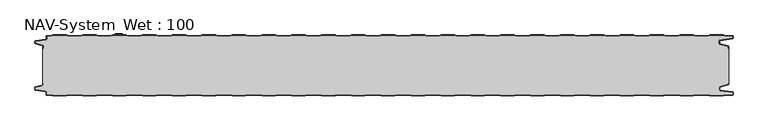
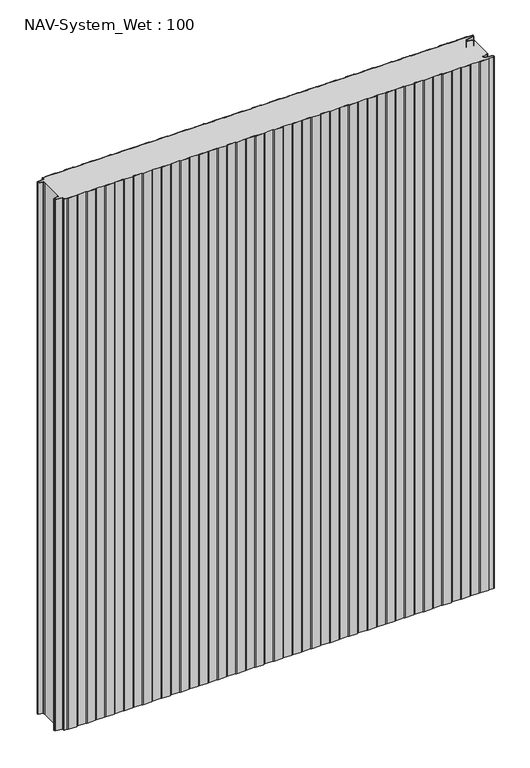
"""IFC4 building model written with IfcOpenShell, lengths in millimetres: plate geometry, NAV-System_Wet : 100."""

from ifc_helpers import new_model, si_unit, point, frame_2d, origin, origin_with_axes, place, context, project, spatial, polyline, circle_curve, trimmed, segment, composite_curve, outline, extrude, source, transform, mapped, element, save


def nav_system_wet_100_a483718d(model_context):
    return source(origin(), model_context, "Body", "SweptSolid", [
        extrude(outline(composite_curve([segment(polyline([(430.3684327, -0.8), (427.3684327, 0.2), (405.3684327, 0.2), (402.3684327, -0.8), (380.3684327, -0.8), (377.3684327, 0.2), (355.3684327, 0.2), (352.3684327, -0.8), (330.3684327, -0.8), (327.3684327, 0.2), (305.3684327, 0.2), (302.3684327, -0.8), (280.3684327, -0.8), (277.3684327, 0.2), (255.3684327, 0.2), (252.3684327, -0.8), (230.3684327, -0.8), (227.3684327, 0.2), (205.3684327, 0.2), (202.3684327, -0.8), (180.3684327, -0.8), (177.3684327, 0.2), (155.3684327, 0.2), (152.3684327, -0.8), (130.3684327, -0.8), (127.3684327, 0.2), (105.3684327, 0.2), (102.3684327, -0.8), (80.3684327, -0.8), (77.3684327, 0.2), (55.3684327, 0.2), (52.3684327, -0.8), (30.3684327, -0.8), (27.3684327, 0.2), (5.3684327, 0.2), (2.3684327, -0.8), (-19.6315673, -0.8), (-22.6315673, 0.2), (-44.6315673, 0.2), (-47.6315673, -0.8), (-69.6315673, -0.8), (-72.6315673, 0.2), (-94.6315673, 0.2), (-97.6315673, -0.8), (-119.6315673, -0.8), (-122.6315673, 0.2), (-144.6315673, 0.2), (-147.6315673, -0.8), (-169.6315673, -0.8), (-172.6315673, 0.2), (-194.6315673, 0.2), (-197.6315673, -0.8), (-219.6315673, -0.8), (-222.6315673, 0.2), (-244.6315673, 0.2), (-247.6315673, -0.8), (-269.6315673, -0.8), (-272.6315673, 0.2), (-294.6315673, 0.2), (-297.6315673, -0.8), (-319.6315673, -0.8), (-322.6315673, 0.2), (-344.6315673, 0.2), (-347.6315673, -0.8), (-369.6315673, -0.8), (-372.6315673, 0.2), (-394.6315673, 0.2), (-397.6315673, -0.8), (-419.6315673, -0.8), (-422.6315673, 0.2), (-444.6315673, 0.2), (-447.6315673, -0.8), (-469.6315673, -0.8), (-472.6315673, 0.2), (-494.6315673, 0.2), (-497.6315673, -0.8), (-519.6315673, -0.8), (-522.6315673, 0.2), (-544.6315673, 0.2), (-547.6315673, -0.8), (-554.7, -0.8)]), True, "CONTINUOUS"), segment(trimmed(circle_curve(frame_2d((-554.7, -1.3)), 0.5), [point((-554.7, -0.8))], [point((-555.2, -1.3))], True, "CARTESIAN"), True, "CONTINUOUS"), segment(polyline([(-555.2, -1.3), (-555.2, -5.3964683)]), True, "CONTINUOUS"), segment(trimmed(circle_curve(frame_2d((-556.7, -5.3964683)), 1.5), [point((-555.2, -5.3964683))], [point((-556.4911207, -6.8818536))], False, "CARTESIAN"), True, "CONTINUOUS"), segment(polyline([(-556.4911207, -6.8818536), (-573.4352183, -9.2645825)]), True, "CONTINUOUS"), segment(trimmed(circle_curve(frame_2d((-573.3114909, -10.1444347)), 0.8885091), [point((-573.4352183, -9.2645825))], [point((-574.2, -10.1444347))], True, "CARTESIAN"), True, "CONTINUOUS"), segment(polyline([(-574.2, -10.1444347), (-574.2, -12.46995)]), True, "CONTINUOUS"), segment(trimmed(circle_curve(frame_2d((-573.6, -12.46995)), 0.6), [point((-574.2, -12.46995))], [point((-573.7552914, -13.0495055))], True, "CARTESIAN"), True, "CONTINUOUS"), segment(polyline([(-573.7552914, -13.0495055), (-562.3785632, -16.0978907)]), True, "CONTINUOUS"), segment(trimmed(circle_curve(frame_2d((-562.7667917, -17.5467794)), 1.5), [point((-562.3785632, -16.0978907))], [point((-561.2667917, -17.5467794))], False, "CARTESIAN"), True, "CONTINUOUS"), segment(polyline([(-561.2667917, -17.5467794), (-561.2667917, -21.0096505), (-562.0667917, -21.0096505), (-562.0667917, -17.5467794)]), True, "CONTINUOUS"), segment(trimmed(circle_curve(frame_2d((-562.7667917, -17.5467794)), 0.7), [point((-562.0667917, -17.5467794))], [point((-562.5856184, -16.8706313))], True, "CARTESIAN"), True, "CONTINUOUS"), segment(polyline([(-562.5856184, -16.8706313), (-574.0364648, -13.8023863)]), True, "CONTINUOUS"), segment(trimmed(circle_curve(frame_2d((-573.7, -12.5466827)), 1.3), [point((-574.0364648, -13.8023863))], [point((-575.0, -12.5466827))], False, "CARTESIAN"), True, "CONTINUOUS"), segment(polyline([(-575.0, -12.5466827), (-575.0, -9.8067363)]), True, "CONTINUOUS"), segment(trimmed(circle_curve(frame_2d((-573.7, -9.8067363)), 1.3), [point((-575.0, -9.8067363))], [point((-573.8810287, -8.5194024))], False, "CARTESIAN"), True, "CONTINUOUS"), segment(polyline([(-573.8810287, -8.5194024), (-556.602523, -6.0896481)]), True, "CONTINUOUS"), segment(trimmed(circle_curve(frame_2d((-556.7, -5.3964683)), 0.7), [point((-556.602523, -6.0896481))], [point((-556.0, -5.3964683))], True, "CARTESIAN"), True, "CONTINUOUS"), segment(polyline([(-556.0, -5.3964683), (-556.0, -1.3)]), True, "CONTINUOUS"), segment(trimmed(circle_curve(frame_2d((-554.7, -1.3)), 1.3), [point((-556.0, -1.3))], [point((-554.7, 0.0))], False, "CARTESIAN"), True, "CONTINUOUS"), segment(polyline([(-554.7, 0.0), (-547.7613895, 0.0), (-544.7613895, 1.0), (-522.5017452, 1.0), (-519.5017452, 0.0), (-497.7613895, 0.0), (-494.7613895, 1.0), (-472.5017452, 1.0), (-469.5017452, 0.0), (-447.7613895, 0.0), (-444.7613895, 1.0), (-422.5017452, 1.0), (-419.5017452, 0.0), (-397.7613895, 0.0), (-394.7613895, 1.0), (-372.5017452, 1.0), (-369.5017452, 0.0), (-347.7613895, 0.0), (-344.7613895, 1.0), (-322.5017452, 1.0), (-319.5017452, 0.0), (-297.7613895, 0.0), (-294.7613895, 1.0), (-272.5017452, 1.0), (-269.5017452, 0.0), (-247.7613895, 0.0), (-244.7613895, 1.0), (-222.5017452, 1.0), (-219.5017452, 0.0), (-197.7613895, 0.0), (-194.7613895, 1.0), (-172.5017452, 1.0), (-169.5017452, 0.0), (-147.7613895, 0.0), (-144.7613895, 1.0), (-122.5017452, 1.0), (-119.5017452, 0.0), (-97.7613895, 0.0), (-94.7613895, 1.0), (-72.5017452, 1.0), (-69.5017452, 0.0), (-47.7613895, 0.0), (-44.7613895, 1.0), (-22.5017452, 1.0), (-19.5017452, 0.0), (2.2386105, 0.0), (5.2386105, 1.0), (27.4982548, 1.0), (30.4982548, 0.0), (52.2386105, 0.0), (55.2386105, 1.0), (77.4982548, 1.0), (80.4982548, 0.0), (102.2386105, 0.0), (105.2386105, 1.0), (127.4982548, 1.0), (130.4982548, 0.0), (152.2386105, 0.0), (155.2386105, 1.0), (177.4982548, 1.0), (180.4982548, 0.0), (202.2386105, 0.0), (205.2386105, 1.0), (227.4982548, 1.0), (230.4982548, 0.0), (252.2386105, 0.0), (255.2386105, 1.0), (277.4982548, 1.0), (280.4982548, 0.0), (302.2386105, 0.0), (305.2386105, 1.0), (327.4982548, 1.0), (330.4982548, 0.0), (352.2386105, 0.0), (355.2386105, 1.0), (377.4982548, 1.0), (380.4982548, 0.0), (402.2386105, 0.0), (405.2386105, 1.0), (427.4982548, 1.0), (430.4982548, 0.0), (452.2386105, 0.0), (455.2386105, 1.0), (477.4982548, 1.0), (480.4982548, 0.0), (502.2386105, 0.0), (505.2386105, 1.0), (527.4982548, 1.0), (530.4982548, 0.0), (552.2386105, 0.0), (555.2386105, 1.0), (577.4982548, 1.0), (580.4982548, 0.0), (592.7, 0.0)]), True, "CONTINUOUS"), segment(trimmed(circle_curve(frame_2d((592.7, -1.3)), 1.3), [point((592.7, 0.0))], [point((594.0, -1.3))], False, "CARTESIAN"), True, "CONTINUOUS"), segment(polyline([(594.0, -1.3), (594.0, -4.3700191)]), True, "CONTINUOUS"), segment(trimmed(circle_curve(frame_2d((592.7, -4.3700191)), 1.3), [point((594.0, -4.3700191))], [point((592.8810287, -5.657353))], False, "CARTESIAN"), True, "CONTINUOUS"), segment(polyline([(592.8810287, -5.657353), (572.102523, -8.5792877)]), True, "CONTINUOUS"), segment(trimmed(circle_curve(frame_2d((572.2, -9.2724675)), 0.7), [point((572.102523, -8.5792877))], [point((571.5, -9.2724675))], True, "CARTESIAN"), True, "CONTINUOUS"), segment(polyline([(571.5, -9.2724675), (571.5, -13.0812756)]), True, "CONTINUOUS"), segment(trimmed(circle_curve(frame_2d((572.2, -13.0812756)), 0.7), [point((571.5, -13.0812756))], [point((572.0188267, -13.7574237))], True, "CARTESIAN"), True, "CONTINUOUS"), segment(polyline([(572.0188267, -13.7574237), (585.4205101, -17.3483939)]), True, "CONTINUOUS"), segment(trimmed(circle_curve(frame_2d((585.0840453, -18.6040975)), 1.3), [point((585.4205101, -17.3483939))], [point((586.3840453, -18.6040975))], False, "CARTESIAN"), True, "CONTINUOUS"), segment(polyline([(586.3840453, -18.6040975), (586.3840453, -21.0096505), (585.5840453, -21.0096505), (585.5840453, -18.6808302)]), True, "CONTINUOUS"), segment(trimmed(circle_curve(frame_2d((584.9840453, -18.6808302)), 0.6), [point((585.5840453, -18.6808302))], [point((585.1393367, -18.1012747))], True, "CARTESIAN"), True, "CONTINUOUS"), segment(polyline([(585.1393367, -18.1012747), (571.8117714, -14.5301644)]), True, "CONTINUOUS"), segment(trimmed(circle_curve(frame_2d((572.2, -13.0812756)), 1.5), [point((571.8117714, -14.5301644))], [point((570.7, -13.0812756))], False, "CARTESIAN"), True, "CONTINUOUS"), segment(polyline([(570.7, -13.0812756), (570.7, -9.2724675)]), True, "CONTINUOUS"), segment(trimmed(circle_curve(frame_2d((572.2, -9.2724675)), 1.5), [point((570.7, -9.2724675))], [point((571.9911207, -7.7870822))], False, "CARTESIAN"), True, "CONTINUOUS"), segment(polyline([(571.9911207, -7.7870822), (592.6835517, -4.8772516)]), True, "CONTINUOUS"), segment(trimmed(circle_curve(frame_2d((592.6, -4.2830975)), 0.6), [point((592.6835517, -4.8772516))], [point((593.2, -4.2830975))], True, "CARTESIAN"), True, "CONTINUOUS"), segment(polyline([(593.2, -4.2830975), (593.2, -1.3)]), True, "CONTINUOUS"), segment(trimmed(circle_curve(frame_2d((592.7, -1.3)), 0.5), [point((593.2, -1.3))], [point((592.7, -0.8))], True, "CARTESIAN"), True, "CONTINUOUS"), segment(polyline([(592.7, -0.8), (580.3684327, -0.8), (577.3684327, 0.2), (555.3684327, 0.2), (552.3684327, -0.8), (530.3684327, -0.8), (527.3684327, 0.2), (505.3684327, 0.2), (502.3684327, -0.8), (480.3684327, -0.8), (477.3684327, 0.2), (455.3684327, 0.2), (452.3684327, -0.8), (430.3684327, -0.8)]), True, "CONTINUOUS")], self_intersect=False)), origin_with_axes(), (0.0, 0.0, 1.0), 1500.0),
        extrude(outline(composite_curve([segment(polyline([(430.3684327, -0.8), (452.3684327, -0.8), (455.3684327, 0.2), (477.3684327, 0.2), (480.3684327, -0.8), (502.3684327, -0.8), (505.3684327, 0.2), (527.3684327, 0.2), (530.3684327, -0.8), (552.3684327, -0.8), (555.3684327, 0.2), (577.3684327, 0.2), (580.3684327, -0.8), (592.7, -0.8)]), True, "CONTINUOUS"), segment(trimmed(circle_curve(frame_2d((592.7, -1.3)), 0.5), [point((592.7, -0.8))], [point((593.2, -1.3))], False, "CARTESIAN"), True, "CONTINUOUS"), segment(polyline([(593.2, -1.3), (593.2, -4.2830975)]), True, "CONTINUOUS"), segment(trimmed(circle_curve(frame_2d((592.6, -4.2830975)), 0.6), [point((593.2, -4.2830975))], [point((592.6835517, -4.8772516))], False, "CARTESIAN"), True, "CONTINUOUS"), segment(polyline([(592.6835517, -4.8772516), (571.9911207, -7.7870822)]), True, "CONTINUOUS"), segment(trimmed(circle_curve(frame_2d((572.2, -9.2724675)), 1.5), [point((571.9911207, -7.7870822))], [point((570.7, -9.2724675))], True, "CARTESIAN"), True, "CONTINUOUS"), segment(polyline([(570.7, -9.2724675), (570.7, -13.0812756)]), True, "CONTINUOUS"), segment(trimmed(circle_curve(frame_2d((572.2, -13.0812756)), 1.5), [point((570.7, -13.0812756))], [point((571.8117714, -14.5301644))], True, "CARTESIAN"), True, "CONTINUOUS"), segment(polyline([(571.8117714, -14.5301644), (585.1393367, -18.1012747)]), True, "CONTINUOUS"), segment(trimmed(circle_curve(frame_2d((584.9840453, -18.6808302)), 0.6), [point((585.1393367, -18.1012747))], [point((585.5840453, -18.6808302))], False, "CARTESIAN"), True, "CONTINUOUS"), segment(polyline([(585.5840453, -18.6808302), (585.5840453, -21.0096505), (586.3840453, -21.0096505), (586.3840453, -78.9903495), (585.5840453, -78.9903495), (585.5840453, -81.3191698)]), True, "CONTINUOUS"), segment(trimmed(circle_curve(frame_2d((584.9840453, -81.3191698)), 0.6), [point((585.5840453, -81.3191698))], [point((585.1393367, -81.8987253))], False, "CARTESIAN"), True, "CONTINUOUS"), segment(polyline([(585.1393367, -81.8987253), (571.8117714, -85.4698356)]), True, "CONTINUOUS"), segment(trimmed(circle_curve(frame_2d((572.2, -86.9187244)), 1.5), [point((571.8117714, -85.4698356))], [point((570.7, -86.9187244))], True, "CARTESIAN"), True, "CONTINUOUS"), segment(polyline([(570.7, -86.9187244), (570.7, -90.7275325)]), True, "CONTINUOUS"), segment(trimmed(circle_curve(frame_2d((572.2, -90.7275325)), 1.5), [point((570.7, -90.7275325))], [point((571.9911207, -92.2129178))], True, "CARTESIAN"), True, "CONTINUOUS"), segment(polyline([(571.9911207, -92.2129178), (592.6835517, -95.1227484)]), True, "CONTINUOUS"), segment(trimmed(circle_curve(frame_2d((592.6, -95.7169025)), 0.6), [point((592.6835517, -95.1227484))], [point((593.2, -95.7169025))], False, "CARTESIAN"), True, "CONTINUOUS"), segment(polyline([(593.2, -95.7169025), (593.2, -98.7)]), True, "CONTINUOUS"), segment(trimmed(circle_curve(frame_2d((592.7, -98.7)), 0.5), [point((593.2, -98.7))], [point((592.7, -99.2))], False, "CARTESIAN"), True, "CONTINUOUS"), segment(polyline([(592.7, -99.2), (580.3684327, -99.2), (577.3684327, -100.2), (555.3684327, -100.2), (552.3684327, -99.2), (530.3684327, -99.2), (527.3684327, -100.2), (505.3684327, -100.2), (502.3684327, -99.2), (480.3684327, -99.2), (477.3684327, -100.2), (455.3684327, -100.2), (452.3684327, -99.2), (430.3684327, -99.2), (427.3684327, -100.2), (405.3684327, -100.2), (402.3684327, -99.2), (380.3684327, -99.2), (377.3684327, -100.2), (355.3684327, -100.2), (352.3684327, -99.2), (330.3684327, -99.2), (327.3684327, -100.2), (305.3684327, -100.2), (302.3684327, -99.2), (280.3684327, -99.2), (277.3684327, -100.2), (255.3684327, -100.2), (252.3684327, -99.2), (230.3684327, -99.2), (227.3684327, -100.2), (205.3684327, -100.2), (202.3684327, -99.2), (180.3684327, -99.2), (177.3684327, -100.2), (155.3684327, -100.2), (152.3684327, -99.2), (130.3684327, -99.2), (127.3684327, -100.2), (105.3684327, -100.2), (102.3684327, -99.2), (80.3684327, -99.2), (77.3684327, -100.2), (55.3684327, -100.2), (52.3684327, -99.2), (30.3684327, -99.2), (27.3684327, -100.2), (5.3684327, -100.2), (2.3684327, -99.2), (-19.6315673, -99.2), (-22.6315673, -100.2), (-44.6315673, -100.2), (-47.6315673, -99.2), (-69.6315673, -99.2), (-72.6315673, -100.2), (-94.6315673, -100.2), (-97.6315673, -99.2), (-119.6315673, -99.2), (-122.6315673, -100.2), (-144.6315673, -100.2), (-147.6315673, -99.2), (-169.6315673, -99.2), (-172.6315673, -100.2), (-194.6315673, -100.2), (-197.6315673, -99.2), (-219.6315673, -99.2), (-222.6315673, -100.2), (-244.6315673, -100.2), (-247.6315673, -99.2), (-269.6315673, -99.2), (-272.6315673, -100.2), (-294.6315673, -100.2), (-297.6315673, -99.2), (-319.6315673, -99.2), (-322.6315673, -100.2), (-344.6315673, -100.2), (-347.6315673, -99.2), (-369.6315673, -99.2), (-372.6315673, -100.2), (-394.6315673, -100.2), (-397.6315673, -99.2), (-419.6315673, -99.2), (-422.6315673, -100.2), (-444.6315673, -100.2), (-447.6315673, -99.2), (-469.6315673, -99.2), (-472.6315673, -100.2), (-494.6315673, -100.2), (-497.6315673, -99.2), (-519.6315673, -99.2), (-522.6315673, -100.2), (-544.6315673, -100.2), (-547.6315673, -99.2), (-554.7, -99.2)]), True, "CONTINUOUS"), segment(trimmed(circle_curve(frame_2d((-554.7, -98.7)), 0.5), [point((-554.7, -99.2))], [point((-555.2, -98.7))], False, "CARTESIAN"), True, "CONTINUOUS"), segment(polyline([(-555.2, -98.7), (-555.2, -94.6035317)]), True, "CONTINUOUS"), segment(trimmed(circle_curve(frame_2d((-556.7, -94.6035317)), 1.5), [point((-555.2, -94.6035317))], [point((-556.4911207, -93.1181464))], True, "CARTESIAN"), True, "CONTINUOUS"), segment(polyline([(-556.4911207, -93.1181464), (-573.4352183, -90.7354175)]), True, "CONTINUOUS"), segment(trimmed(circle_curve(frame_2d((-573.3114909, -89.8555653)), 0.8885091), [point((-573.4352183, -90.7354175))], [point((-574.2, -89.8555653))], False, "CARTESIAN"), True, "CONTINUOUS"), segment(polyline([(-574.2, -89.8555653), (-574.2, -87.53005)]), True, "CONTINUOUS"), segment(trimmed(circle_curve(frame_2d((-573.6, -87.53005)), 0.6), [point((-574.2, -87.53005))], [point((-573.7552914, -86.9504945))], False, "CARTESIAN"), True, "CONTINUOUS"), segment(polyline([(-573.7552914, -86.9504945), (-562.3785632, -83.9021093)]), True, "CONTINUOUS"), segment(trimmed(circle_curve(frame_2d((-562.7667917, -82.4532206)), 1.5), [point((-562.3785632, -83.9021093))], [point((-561.2667917, -82.4532206))], True, "CARTESIAN"), True, "CONTINUOUS"), segment(polyline([(-561.2667917, -82.4532206), (-561.2667917, -78.9903495), (-562.0667917, -78.9903495), (-562.0667917, -21.0096505), (-561.2667917, -21.0096505), (-561.2667917, -17.5467794)]), True, "CONTINUOUS"), segment(trimmed(circle_curve(frame_2d((-562.7667917, -17.5467794)), 1.5), [point((-561.2667917, -17.5467794))], [point((-562.3785632, -16.0978907))], True, "CARTESIAN"), True, "CONTINUOUS"), segment(polyline([(-562.3785632, -16.0978907), (-573.7552914, -13.0495055)]), True, "CONTINUOUS"), segment(trimmed(circle_curve(frame_2d((-573.6, -12.46995)), 0.6), [point((-573.7552914, -13.0495055))], [point((-574.2, -12.46995))], False, "CARTESIAN"), True, "CONTINUOUS"), segment(polyline([(-574.2, -12.46995), (-574.2, -10.1444347)]), True, "CONTINUOUS"), segment(trimmed(circle_curve(frame_2d((-573.3114909, -10.1444347)), 0.8885091), [point((-574.2, -10.1444347))], [point((-573.4352183, -9.2645825))], False, "CARTESIAN"), True, "CONTINUOUS"), segment(polyline([(-573.4352183, -9.2645825), (-556.4911207, -6.8818536)]), True, "CONTINUOUS"), segment(trimmed(circle_curve(frame_2d((-556.7, -5.3964683)), 1.5), [point((-556.4911207, -6.8818536))], [point((-555.2, -5.3964683))], True, "CARTESIAN"), True, "CONTINUOUS"), segment(polyline([(-555.2, -5.3964683), (-555.2, -1.3)]), True, "CONTINUOUS"), segment(trimmed(circle_curve(frame_2d((-554.7, -1.3)), 0.5), [point((-555.2, -1.3))], [point((-554.7, -0.8))], False, "CARTESIAN"), True, "CONTINUOUS"), segment(polyline([(-554.7, -0.8), (-547.6315673, -0.8), (-544.6315673, 0.2), (-522.6315673, 0.2), (-519.6315673, -0.8), (-497.6315673, -0.8), (-494.6315673, 0.2), (-472.6315673, 0.2), (-469.6315673, -0.8), (-447.6315673, -0.8), (-444.6315673, 0.2), (-422.6315673, 0.2), (-419.6315673, -0.8), (-397.6315673, -0.8), (-394.6315673, 0.2), (-372.6315673, 0.2), (-369.6315673, -0.8), (-347.6315673, -0.8), (-344.6315673, 0.2), (-322.6315673, 0.2), (-319.6315673, -0.8), (-297.6315673, -0.8), (-294.6315673, 0.2), (-272.6315673, 0.2), (-269.6315673, -0.8), (-247.6315673, -0.8), (-244.6315673, 0.2), (-222.6315673, 0.2), (-219.6315673, -0.8), (-197.6315673, -0.8), (-194.6315673, 0.2), (-172.6315673, 0.2), (-169.6315673, -0.8), (-147.6315673, -0.8), (-144.6315673, 0.2), (-122.6315673, 0.2), (-119.6315673, -0.8), (-97.6315673, -0.8), (-94.6315673, 0.2), (-72.6315673, 0.2), (-69.6315673, -0.8), (-47.6315673, -0.8), (-44.6315673, 0.2), (-22.6315673, 0.2), (-19.6315673, -0.8), (2.3684327, -0.8), (5.3684327, 0.2), (27.3684327, 0.2), (30.3684327, -0.8), (52.3684327, -0.8), (55.3684327, 0.2), (77.3684327, 0.2), (80.3684327, -0.8), (102.3684327, -0.8), (105.3684327, 0.2), (127.3684327, 0.2), (130.3684327, -0.8), (152.3684327, -0.8), (155.3684327, 0.2), (177.3684327, 0.2), (180.3684327, -0.8), (202.3684327, -0.8), (205.3684327, 0.2), (227.3684327, 0.2), (230.3684327, -0.8), (252.3684327, -0.8), (255.3684327, 0.2), (277.3684327, 0.2), (280.3684327, -0.8), (302.3684327, -0.8), (305.3684327, 0.2), (327.3684327, 0.2), (330.3684327, -0.8), (352.3684327, -0.8), (355.3684327, 0.2), (377.3684327, 0.2), (380.3684327, -0.8), (402.3684327, -0.8), (405.3684327, 0.2), (427.3684327, 0.2), (430.3684327, -0.8)]), True, "CONTINUOUS")], self_intersect=False)), origin_with_axes(), (0.0, 0.0, 1.0), 1500.0),
        extrude(outline(composite_curve([segment(polyline([(430.3684327, -99.2), (452.3684327, -99.2), (455.3684327, -100.2), (477.3684327, -100.2), (480.3684327, -99.2), (502.3684327, -99.2), (505.3684327, -100.2), (527.3684327, -100.2), (530.3684327, -99.2), (552.3684327, -99.2), (555.3684327, -100.2), (577.3684327, -100.2), (580.3684327, -99.2), (592.7, -99.2)]), True, "CONTINUOUS"), segment(trimmed(circle_curve(frame_2d((592.7, -98.7)), 0.5), [point((592.7, -99.2))], [point((593.2, -98.7))], True, "CARTESIAN"), True, "CONTINUOUS"), segment(polyline([(593.2, -98.7), (593.2, -95.7169025)]), True, "CONTINUOUS"), segment(trimmed(circle_curve(frame_2d((592.6, -95.7169025)), 0.6), [point((593.2, -95.7169025))], [point((592.6835517, -95.1227484))], True, "CARTESIAN"), True, "CONTINUOUS"), segment(polyline([(592.6835517, -95.1227484), (571.9911207, -92.2129178)]), True, "CONTINUOUS"), segment(trimmed(circle_curve(frame_2d((572.2, -90.7275325)), 1.5), [point((571.9911207, -92.2129178))], [point((570.7, -90.7275325))], False, "CARTESIAN"), True, "CONTINUOUS"), segment(polyline([(570.7, -90.7275325), (570.7, -86.9187244)]), True, "CONTINUOUS"), segment(trimmed(circle_curve(frame_2d((572.2, -86.9187244)), 1.5), [point((570.7, -86.9187244))], [point((571.8117714, -85.4698356))], False, "CARTESIAN"), True, "CONTINUOUS"), segment(polyline([(571.8117714, -85.4698356), (585.1393367, -81.8987253)]), True, "CONTINUOUS"), segment(trimmed(circle_curve(frame_2d((584.9840453, -81.3191698)), 0.6), [point((585.1393367, -81.8987253))], [point((585.5840453, -81.3191698))], True, "CARTESIAN"), True, "CONTINUOUS"), segment(polyline([(585.5840453, -81.3191698), (585.5840453, -78.9903495), (586.3840453, -78.9903495), (586.3840453, -81.3959025)]), True, "CONTINUOUS"), segment(trimmed(circle_curve(frame_2d((585.0840453, -81.3959025)), 1.3), [point((586.3840453, -81.3959025))], [point((585.4205101, -82.6516061))], False, "CARTESIAN"), True, "CONTINUOUS"), segment(polyline([(585.4205101, -82.6516061), (572.0188267, -86.2425763)]), True, "CONTINUOUS"), segment(trimmed(circle_curve(frame_2d((572.2, -86.9187244)), 0.7), [point((572.0188267, -86.2425763))], [point((571.5, -86.9187244))], True, "CARTESIAN"), True, "CONTINUOUS"), segment(polyline([(571.5, -86.9187244), (571.5, -90.7275325)]), True, "CONTINUOUS"), segment(trimmed(circle_curve(frame_2d((572.2, -90.7275325)), 0.7), [point((571.5, -90.7275325))], [point((572.102523, -91.4207123))], True, "CARTESIAN"), True, "CONTINUOUS"), segment(polyline([(572.102523, -91.4207123), (592.8810287, -94.342647)]), True, "CONTINUOUS"), segment(trimmed(circle_curve(frame_2d((592.7, -95.6299809)), 1.3), [point((592.8810287, -94.342647))], [point((594.0, -95.6299809))], False, "CARTESIAN"), True, "CONTINUOUS"), segment(polyline([(594.0, -95.6299809), (594.0, -98.7)]), True, "CONTINUOUS"), segment(trimmed(circle_curve(frame_2d((592.7, -98.7)), 1.3), [point((594.0, -98.7))], [point((592.7, -100.0))], False, "CARTESIAN"), True, "CONTINUOUS"), segment(polyline([(592.7, -100.0), (580.4982548, -100.0), (577.4982548, -101.0), (555.2386105, -101.0), (552.2386105, -100.0), (530.4982548, -100.0), (527.4982548, -101.0), (505.2386105, -101.0), (502.2386105, -100.0), (480.4982548, -100.0), (477.4982548, -101.0), (455.2386105, -101.0), (452.2386105, -100.0), (430.4982548, -100.0), (427.4982548, -101.0), (405.2386105, -101.0), (402.2386105, -100.0), (380.4982548, -100.0), (377.4982548, -101.0), (355.2386105, -101.0), (352.2386105, -100.0), (330.4982548, -100.0), (327.4982548, -101.0), (305.2386105, -101.0), (302.2386105, -100.0), (280.4982548, -100.0), (277.4982548, -101.0), (255.2386105, -101.0), (252.2386105, -100.0), (230.4982548, -100.0), (227.4982548, -101.0), (205.2386105, -101.0), (202.2386105, -100.0), (180.4982548, -100.0), (177.4982548, -101.0), (155.2386105, -101.0), (152.2386105, -100.0), (130.4982548, -100.0), (127.4982548, -101.0), (105.2386105, -101.0), (102.2386105, -100.0), (80.4982548, -100.0), (77.4982548, -101.0), (55.2386105, -101.0), (52.2386105, -100.0), (30.4982548, -100.0), (27.4982548, -101.0), (5.2386105, -101.0), (2.2386105, -100.0), (-19.5017452, -100.0), (-22.5017452, -101.0), (-44.7613895, -101.0), (-47.7613895, -100.0), (-69.5017452, -100.0), (-72.5017452, -101.0), (-94.7613895, -101.0), (-97.7613895, -100.0), (-119.5017452, -100.0), (-122.5017452, -101.0), (-144.7613895, -101.0), (-147.7613895, -100.0), (-169.5017452, -100.0), (-172.5017452, -101.0), (-194.7613895, -101.0), (-197.7613895, -100.0), (-219.5017452, -100.0), (-222.5017452, -101.0), (-244.7613895, -101.0), (-247.7613895, -100.0), (-269.5017452, -100.0), (-272.5017452, -101.0), (-294.7613895, -101.0), (-297.7613895, -100.0), (-319.5017452, -100.0), (-322.5017452, -101.0), (-344.7613895, -101.0), (-347.7613895, -100.0), (-369.5017452, -100.0), (-372.5017452, -101.0), (-394.7613895, -101.0), (-397.7613895, -100.0), (-419.5017452, -100.0), (-422.5017452, -101.0), (-444.7613895, -101.0), (-447.7613895, -100.0), (-469.5017452, -100.0), (-472.5017452, -101.0), (-494.7613895, -101.0), (-497.7613895, -100.0), (-519.5017452, -100.0), (-522.5017452, -101.0), (-544.7613895, -101.0), (-547.7613895, -100.0), (-554.7, -100.0)]), True, "CONTINUOUS"), segment(trimmed(circle_curve(frame_2d((-554.7, -98.7)), 1.3), [point((-554.7, -100.0))], [point((-556.0, -98.7))], False, "CARTESIAN"), True, "CONTINUOUS"), segment(polyline([(-556.0, -98.7), (-556.0, -94.6035317)]), True, "CONTINUOUS"), segment(trimmed(circle_curve(frame_2d((-556.7, -94.6035317)), 0.7), [point((-556.0, -94.6035317))], [point((-556.602523, -93.9103519))], True, "CARTESIAN"), True, "CONTINUOUS"), segment(polyline([(-556.602523, -93.9103519), (-573.8810287, -91.4805976)]), True, "CONTINUOUS"), segment(trimmed(circle_curve(frame_2d((-573.7, -90.1932637)), 1.3), [point((-573.8810287, -91.4805976))], [point((-575.0, -90.1932637))], False, "CARTESIAN"), True, "CONTINUOUS"), segment(polyline([(-575.0, -90.1932637), (-575.0, -87.4533173)]), True, "CONTINUOUS"), segment(trimmed(circle_curve(frame_2d((-573.7, -87.4533173)), 1.3), [point((-575.0, -87.4533173))], [point((-574.0364648, -86.1976137))], False, "CARTESIAN"), True, "CONTINUOUS"), segment(polyline([(-574.0364648, -86.1976137), (-562.5856184, -83.1293687)]), True, "CONTINUOUS"), segment(trimmed(circle_curve(frame_2d((-562.7667917, -82.4532206)), 0.7), [point((-562.5856184, -83.1293687))], [point((-562.0667917, -82.4532206))], True, "CARTESIAN"), True, "CONTINUOUS"), segment(polyline([(-562.0667917, -82.4532206), (-562.0667917, -78.9903495), (-561.2667917, -78.9903495), (-561.2667917, -82.4532206)]), True, "CONTINUOUS"), segment(trimmed(circle_curve(frame_2d((-562.7667917, -82.4532206)), 1.5), [point((-561.2667917, -82.4532206))], [point((-562.3785632, -83.9021093))], False, "CARTESIAN"), True, "CONTINUOUS"), segment(polyline([(-562.3785632, -83.9021093), (-573.7552914, -86.9504945)]), True, "CONTINUOUS"), segment(trimmed(circle_curve(frame_2d((-573.6, -87.53005)), 0.6), [point((-573.7552914, -86.9504945))], [point((-574.2, -87.53005))], True, "CARTESIAN"), True, "CONTINUOUS"), segment(polyline([(-574.2, -87.53005), (-574.2, -89.8555653)]), True, "CONTINUOUS"), segment(trimmed(circle_curve(frame_2d((-573.3114909, -89.8555653)), 0.8885091), [point((-574.2, -89.8555653))], [point((-573.4352183, -90.7354175))], True, "CARTESIAN"), True, "CONTINUOUS"), segment(polyline([(-573.4352183, -90.7354175), (-556.4911207, -93.1181464)]), True, "CONTINUOUS"), segment(trimmed(circle_curve(frame_2d((-556.7, -94.6035317)), 1.5), [point((-556.4911207, -93.1181464))], [point((-555.2, -94.6035317))], False, "CARTESIAN"), True, "CONTINUOUS"), segment(polyline([(-555.2, -94.6035317), (-555.2, -98.7)]), True, "CONTINUOUS"), segment(trimmed(circle_curve(frame_2d((-554.7, -98.7)), 0.5), [point((-555.2, -98.7))], [point((-554.7, -99.2))], True, "CARTESIAN"), True, "CONTINUOUS"), segment(polyline([(-554.7, -99.2), (-547.6315673, -99.2), (-544.6315673, -100.2), (-522.6315673, -100.2), (-519.6315673, -99.2), (-497.6315673, -99.2), (-494.6315673, -100.2), (-472.6315673, -100.2), (-469.6315673, -99.2), (-447.6315673, -99.2), (-444.6315673, -100.2), (-422.6315673, -100.2), (-419.6315673, -99.2), (-397.6315673, -99.2), (-394.6315673, -100.2), (-372.6315673, -100.2), (-369.6315673, -99.2), (-347.6315673, -99.2), (-344.6315673, -100.2), (-322.6315673, -100.2), (-319.6315673, -99.2), (-297.6315673, -99.2), (-294.6315673, -100.2), (-272.6315673, -100.2), (-269.6315673, -99.2), (-247.6315673, -99.2), (-244.6315673, -100.2), (-222.6315673, -100.2), (-219.6315673, -99.2), (-197.6315673, -99.2), (-194.6315673, -100.2), (-172.6315673, -100.2), (-169.6315673, -99.2), (-147.6315673, -99.2), (-144.6315673, -100.2), (-122.6315673, -100.2), (-119.6315673, -99.2), (-97.6315673, -99.2), (-94.6315673, -100.2), (-72.6315673, -100.2), (-69.6315673, -99.2), (-47.6315673, -99.2), (-44.6315673, -100.2), (-22.6315673, -100.2), (-19.6315673, -99.2), (2.3684327, -99.2), (5.3684327, -100.2), (27.3684327, -100.2), (30.3684327, -99.2), (52.3684327, -99.2), (55.3684327, -100.2), (77.3684327, -100.2), (80.3684327, -99.2), (102.3684327, -99.2), (105.3684327, -100.2), (127.3684327, -100.2), (130.3684327, -99.2), (152.3684327, -99.2), (155.3684327, -100.2), (177.3684327, -100.2), (180.3684327, -99.2), (202.3684327, -99.2), (205.3684327, -100.2), (227.3684327, -100.2), (230.3684327, -99.2), (252.3684327, -99.2), (255.3684327, -100.2), (277.3684327, -100.2), (280.3684327, -99.2), (302.3684327, -99.2), (305.3684327, -100.2), (327.3684327, -100.2), (330.3684327, -99.2), (352.3684327, -99.2), (355.3684327, -100.2), (377.3684327, -100.2), (380.3684327, -99.2), (402.3684327, -99.2), (405.3684327, -100.2), (427.3684327, -100.2), (430.3684327, -99.2)]), True, "CONTINUOUS")], self_intersect=False)), origin_with_axes(), (0.0, 0.0, 1.0), 1500.0),
    ])


if __name__ == "__main__":
    model = new_model("IFC4")
    model_context = context("Model", 3, world=origin())
    ifc_project = project(units=[si_unit("LENGTHUNIT", "METRE", prefix="MILLI")], contexts=[model_context])
    site = spatial("IfcSite", under=ifc_project)
    building = spatial("IfcBuilding", under=site)
    placement = place(None, origin())
    nav_system_wet_100_shape = nav_system_wet_100_a483718d(model_context)
    element("IfcPlate", 1, ObjectType="NAV-System_Wet : 100", at=placement, inside=building, context=model_context, shape_type="MappedRepresentation", body=[
        mapped(nav_system_wet_100_shape, transform((0.0, 0.0, 0.0), x_axis=(1.0, 0.0, 0.0), y_axis=(0.0, 1.0, 0.0), z_axis=(0.0, 0.0, 1.0))),
    ])
    save(model, "model.ifc")
